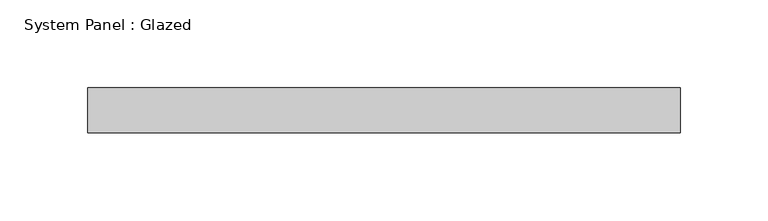
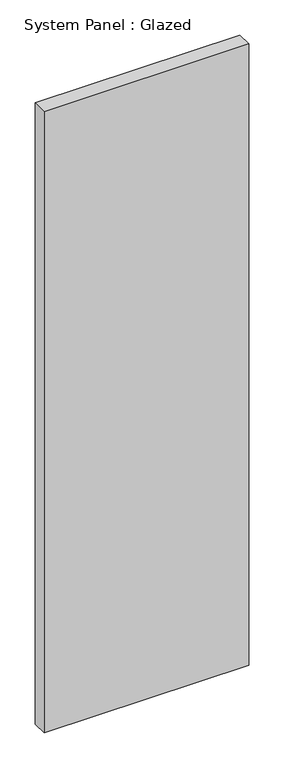
"""IFC4 building model written with IfcOpenShell, lengths in millimetres: plate geometry, System Panel : Glazed."""

from ifc_helpers import new_model, si_unit, origin, origin_with_axes, place, context, project, spatial, polyline, outline, extrude, source, transform, mapped, element, save


def system_panel_glazed_0f345dde(model_context):
    return source(origin(), model_context, "Body", "SweptSolid", [
        extrude(outline(polyline([(168.275, -12.7), (-168.275, -12.7), (-168.275, 12.7), (168.275, 12.7), (168.275, -12.7)])), origin_with_axes(), (0.0, 0.0, 1.0), 1080.0),
    ])


if __name__ == "__main__":
    model = new_model("IFC4")
    model_context = context("Model", 3, world=origin())
    ifc_project = project(units=[si_unit("LENGTHUNIT", "METRE", prefix="MILLI")], contexts=[model_context])
    site = spatial("IfcSite", under=ifc_project)
    building = spatial("IfcBuilding", under=site)
    placement = place(None, origin())
    system_panel_glazed_shape = system_panel_glazed_0f345dde(model_context)
    element("IfcPlate", 1, ObjectType="System Panel : Glazed", at=placement, inside=building, context=model_context, shape_type="MappedRepresentation", body=[
        mapped(system_panel_glazed_shape, transform((0.0, 0.0, 0.0), x_axis=(1.0, 0.0, 0.0), y_axis=(0.0, 1.0, 0.0), z_axis=(0.0, 0.0, 1.0))),
    ])
    save(model, "model.ifc")
